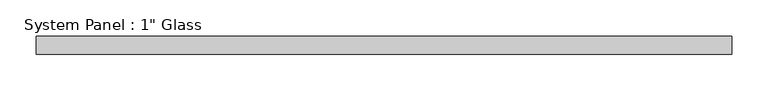
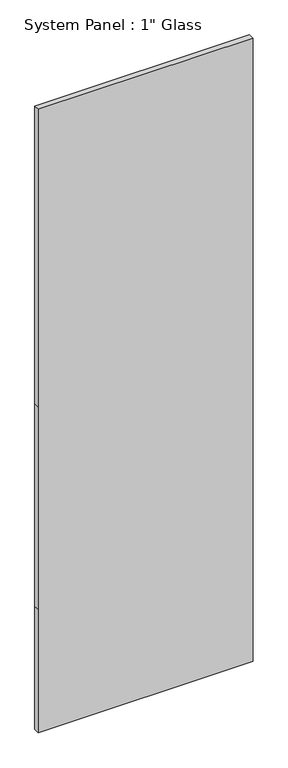
"""IFC4 building model written with IfcOpenShell, lengths in millimetres: plate geometry."""

import ifcopenshell
import ifcopenshell.guid

model = None  # the IFC model being written
_history = None  # IfcOwnerHistory: only IFC2X3 demands one
_inside = {}  # id of a spatial element -> (the spatial element, [elements in it])
_under = {}  # id of a project, library or spatial element -> (it, [spatial elements below it])
_declared = {}  # id of a project -> (the project, [libraries it declares])
_typed = {}  # id of a type object -> (the type object, [elements of that type])
_made_of = {}  # id of a material, layer set ... -> (it, [elements and type objects made of it])


def new_model(schema):
    """Start an empty IFC model of exactly this schema.

    Asked for "IFC4X3", IfcOpenShell would pick the latest addendum, in which some entities
    have other attributes; the version numbers below select the first issue.
    IFC2X3 requires an IfcOwnerHistory on every rooted entity: one is made here for all.
    """
    global model, _history
    if schema == "IFC4X3":
        model = ifcopenshell.file(schema_version=(4, 3, 0, 0))
    else:
        model = ifcopenshell.file(schema=schema)
    _inside.clear()
    _under.clear()
    _declared.clear()
    _typed.clear()
    _made_of.clear()
    _history = None
    if model.schema == "IFC2X3":
        org = make("IfcOrganization", Name="unknown")
        user = make(
            "IfcPersonAndOrganization",
            ThePerson=make("IfcPerson", FamilyName="unknown"),
            TheOrganization=org,
        )
        app = make(
            "IfcApplication",
            ApplicationDeveloper=org,
            Version="unknown",
            ApplicationFullName="unknown",
            ApplicationIdentifier="unknown",
        )
        _history = make(
            "IfcOwnerHistory",
            OwningUser=user,
            OwningApplication=app,
            ChangeAction="ADDED",
            CreationDate=0,
        )
    return model


def make(cls, **values):
    """One entity of the class cls with the attributes given. An attribute that is None is left unset."""
    return model.create_entity(
        cls, **{name: value for name, value in values.items() if value is not None}
    )


def rooted(cls, **values):
    """An entity with a GlobalId (a new one), such as an element, a storey or a relation."""
    return make(cls, GlobalId=ifcopenshell.guid.new(), OwnerHistory=_history, **values)


def si_unit(unit_type, name, prefix=None):
    """IfcSIUnit, for example si_unit("LENGTHUNIT", "METRE", prefix="MILLI")."""
    return make("IfcSIUnit", UnitType=unit_type, Prefix=prefix, Name=name)


def assignment(units):
    """IfcUnitAssignment: the units of a project."""
    return None if units is None else make("IfcUnitAssignment", Units=units)


def point(xyz):
    """IfcCartesianPoint."""
    return None if xyz is None else make("IfcCartesianPoint", Coordinates=xyz)


def direction(xyz):
    """IfcDirection."""
    return None if xyz is None else make("IfcDirection", DirectionRatios=xyz)


def frame(location, z_axis=None, x_axis=None):
    """IfcAxis2Placement3D, a coordinate frame: its origin and axes. An axis left out is left unset."""
    return make(
        "IfcAxis2Placement3D",
        Location=point(location),
        Axis=direction(z_axis),
        RefDirection=direction(x_axis),
    )


def origin():
    """The frame at (0, 0, 0) with its axes left unset."""
    return frame((0.0, 0.0, 0.0))


def place(relative_to, where):
    """IfcLocalPlacement: puts the frame where relative to a parent placement (None: the world)."""
    return make(
        "IfcLocalPlacement", PlacementRelTo=relative_to, RelativePlacement=where
    )


def context(
    kind, dimensions, precision=None, world=None, true_north=None, identifier=None
):
    """IfcGeometricRepresentationContext, for example the 3D "Model" context."""
    return make(
        "IfcGeometricRepresentationContext",
        ContextIdentifier=identifier,
        ContextType=kind,
        CoordinateSpaceDimension=dimensions,
        Precision=precision,
        WorldCoordinateSystem=world,
        TrueNorth=true_north,
    )


def project(units=None, contexts=None):
    """IfcProject with its units and contexts."""
    return rooted(
        "IfcProject",
        Name="project",
        RepresentationContexts=contexts,
        UnitsInContext=assignment(units),
    )


def spatial(cls, under=None, at=None, **own):
    """A site, building, storey or space (cls), placed at a placement, below another one or the project."""
    s = rooted(cls, ObjectPlacement=at, **own)
    if under is not None:
        _under.setdefault(under.id(), (under, []))[1].append(s)
    return s


def polyline(points):
    """IfcPolyline through the points."""
    return make("IfcPolyline", Points=[point(p) for p in points])


def outline(outer, holes=None, kind="AREA"):
    """IfcArbitraryClosedProfileDef: a profile drawn as a closed curve; with holes, ...WithVoids."""
    if holes is None:
        return make("IfcArbitraryClosedProfileDef", ProfileType=kind, OuterCurve=outer)
    return make(
        "IfcArbitraryProfileDefWithVoids",
        ProfileType=kind,
        OuterCurve=outer,
        InnerCurves=holes,
    )


def extrude(swept, where, along, depth):
    """IfcExtrudedAreaSolid: the profile swept, set in the frame where, extruded along a direction by depth."""
    return make(
        "IfcExtrudedAreaSolid",
        SweptArea=swept,
        Position=where,
        ExtrudedDirection=direction(along),
        Depth=depth,
    )


def shape(context_of_items, identifier, shape_type, items):
    """IfcShapeRepresentation: the items that make up one representation, for example the "Body"."""
    return make(
        "IfcShapeRepresentation",
        ContextOfItems=context_of_items,
        RepresentationIdentifier=identifier,
        RepresentationType=shape_type,
        Items=items,
    )


def source(mapping_origin, context_of_items, identifier, shape_type, items):
    """IfcRepresentationMap: a shape defined once, which mapped items show again and again."""
    return make(
        "IfcRepresentationMap",
        MappingOrigin=mapping_origin,
        MappedRepresentation=shape(context_of_items, identifier, shape_type, items),
    )


def transform(
    local_origin,
    x_axis=None,
    y_axis=None,
    z_axis=None,
    scale=None,
    scale2=None,
    scale3=None,
    uniform=True,
):
    """IfcCartesianTransformationOperator3D, or its non-uniform kind. x_axis, y_axis, z_axis: its Axis1, 2, 3."""
    if uniform:
        return make(
            "IfcCartesianTransformationOperator3D",
            Axis1=direction(x_axis),
            Axis2=direction(y_axis),
            LocalOrigin=point(local_origin),
            Scale=scale,
            Axis3=direction(z_axis),
        )
    return make(
        "IfcCartesianTransformationOperator3DnonUniform",
        Axis1=direction(x_axis),
        Axis2=direction(y_axis),
        LocalOrigin=point(local_origin),
        Scale=scale,
        Axis3=direction(z_axis),
        Scale2=scale2,
        Scale3=scale3,
    )


def mapped(mapping_source, mapping_target):
    """IfcMappedItem: shows the shape of a source again, moved by a transform."""
    return make(
        "IfcMappedItem", MappingSource=mapping_source, MappingTarget=mapping_target
    )


def made_of(thing, what):
    """Note that an element or type object is made of a material, layer set ...; save() writes the relation."""
    if what is not None:
        _made_of.setdefault(what.id(), (what, []))[1].append(thing)
    return thing


def element(
    cls,
    number,
    at=None,
    inside=None,
    cuts=None,
    type_object=None,
    material=None,
    context=None,
    identifier="Body",
    shape_type=None,
    held_by="IfcProductDefinitionShape",
    body=None,
    shapes=None,
    **own,
):
    """One element of the class cls, such as IfcWall. Its Tag is "e" and its number.

    at: its placement. inside: the storey or other place that contains it. cuts: it is an
    opening in that element (IfcRelVoidsElement). A single representation is given by context,
    identifier, shape_type and body (its items); several are given by shapes. held_by: the class
    of the entity that holds the representations. save() writes the other relations.
    """
    e = rooted(cls, Tag="e%d" % number, ObjectPlacement=at, **own)
    if body is not None:
        shapes = [shape(context, identifier, shape_type, body)]
    if shapes is not None:
        e.Representation = make(held_by, Representations=shapes)
    if inside is not None:
        _inside.setdefault(inside.id(), (inside, []))[1].append(e)
    if cuts is not None:
        rooted(
            "IfcRelVoidsElement", RelatingBuildingElement=cuts, RelatedOpeningElement=e
        )
    if type_object is not None:
        _typed.setdefault(type_object.id(), (type_object, []))[1].append(e)
    return made_of(e, material)


def aggregate(whole, parts):
    """IfcRelAggregates: a whole, such as a stair, and the parts it consists of."""
    return rooted("IfcRelAggregates", RelatingObject=whole, RelatedObjects=parts)


def save(model, path):
    """Write the relations noted so far, then the file.

    IfcRelAggregates (storeys below a building ...), IfcRelContainedInSpatialStructure (elements
    in a storey), IfcRelDefinesByType, IfcRelAssociatesMaterial and IfcRelDeclares: one each for
    every whole, place, type object, material and project.
    """
    for whole, parts in _under.values():
        aggregate(whole, parts)
    for where, things in _inside.values():
        rooted(
            "IfcRelContainedInSpatialStructure",
            RelatedElements=things,
            RelatingStructure=where,
        )
    for kind, things in _typed.values():
        rooted("IfcRelDefinesByType", RelatedObjects=things, RelatingType=kind)
    for what, things in _made_of.values():
        rooted("IfcRelAssociatesMaterial", RelatedObjects=things, RelatingMaterial=what)
    for by, libraries in _declared.values():
        rooted("IfcRelDeclares", RelatingContext=by, RelatedDefinitions=libraries)
    model.write(path)


def plate_a2d141c2(model_context):
    return source(origin(), model_context, "Body", "SweptSolid", [
        extrude(outline(polyline([(0.0, -482.6), (0.0, 482.6), (584.2, 482.6), (1546.225, 482.6), (2959.1, 482.6), (2959.1, -482.6), (1546.225, -482.6), (584.2, -482.6), (0.0, -482.6)])), frame((0.0, -12.7, 0.0), z_axis=(0.0, 1.0, 0.0), x_axis=(0.0, 0.0, 1.0)), (0.0, 0.0, 1.0), 25.4),
    ])


if __name__ == "__main__":
    model = new_model("IFC4")
    model_context = context("Model", 3, world=origin())
    ifc_project = project(units=[si_unit("LENGTHUNIT", "METRE", prefix="MILLI")], contexts=[model_context])
    site = spatial("IfcSite", under=ifc_project)
    building = spatial("IfcBuilding", under=site)
    placement = place(None, origin())
    plate_shape = plate_a2d141c2(model_context)
    element("IfcPlate", 1, ObjectType="System Panel : 1\" Glass", at=placement, inside=building, context=model_context, shape_type="MappedRepresentation", body=[
        mapped(plate_shape, transform((0.0, 0.0, 0.0), x_axis=(1.0, 0.0, 0.0), y_axis=(0.0, 1.0, 0.0), z_axis=(0.0, 0.0, 1.0))),
    ])
    save(model, "model.ifc")
